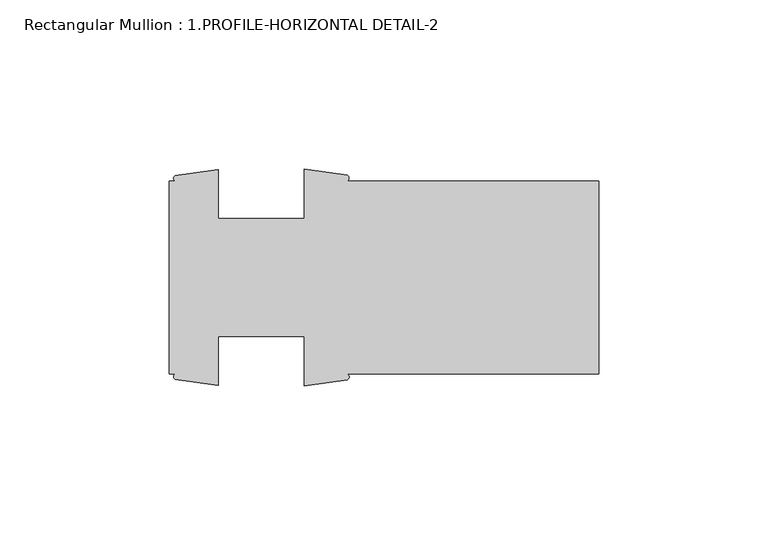
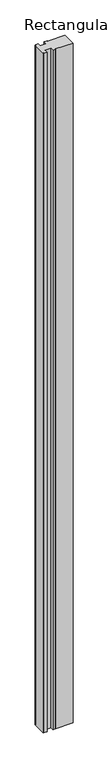
"""IFC4 building model written with IfcOpenShell, lengths in millimetres: member geometry, Rectangular Mullion : 1.PROFILE-HORIZONTAL DETAIL-2."""

from ifc_helpers import new_model, si_unit, point, frame, frame_2d, origin, place, context, project, spatial, polyline, circle_curve, trimmed, segment, composite_curve, outline, extrude, source, transform, mapped, element, save


def rectangular_mullion_1_profile_horizontal_detail_2_613303dd(model_context):
    return source(origin(), model_context, "Body", "SweptSolid", [
        extrude(outline(composite_curve([segment(trimmed(circle_curve(frame_2d((-74.7806804, -28.7695155)), 0.949112), [point((-74.3234222, -27.9378133))], [point((-74.3234222, -29.6012177))], False, "CARTESIAN"), True, "CONTINUOUS"), segment(polyline([(-74.3234222, -29.6012177), (-87.096475, -31.4573351), (-87.096475, -16.8253133), (-112.496475, -16.8253133), (-112.496475, -31.3338133), (-125.2677625, -29.5237096)]), True, "CONTINUOUS"), segment(trimmed(circle_curve(frame_2d((-124.754482, -28.7307615)), 0.9445759), [point((-125.2677625, -29.5237096))], [point((-125.2677625, -27.9378133))], False, "CARTESIAN"), True, "CONTINUOUS"), segment(polyline([(-125.2677625, -27.9378133), (-127.0, -27.9378133), (-127.0, 29.2121867), (-125.2677625, 29.2121867)]), True, "CONTINUOUS"), segment(trimmed(circle_curve(frame_2d((-124.8022815, 30.0051348)), 0.9194778), [point((-125.2677625, 29.2121867))], [point((-125.2677625, 30.7980829))], False, "CARTESIAN"), True, "CONTINUOUS"), segment(polyline([(-125.2677625, 30.7980829), (-112.496475, 32.6081867), (-112.496475, 18.0996867), (-87.096475, 18.0996867), (-87.096475, 32.7317084), (-74.3234222, 30.8755911)]), True, "CONTINUOUS"), segment(trimmed(circle_curve(frame_2d((-74.8519416, 30.0438889)), 0.9854244), [point((-74.3234222, 30.8755911))], [point((-74.3234222, 29.2121867))], False, "CARTESIAN"), True, "CONTINUOUS"), segment(polyline([(-74.3234222, 29.2121867), (0.0, 29.2121867), (0.0, -27.9378133), (-74.3234222, -27.9378133)]), True, "CONTINUOUS")], self_intersect=False)), frame((0.0, 0.0, -3048.0), z_axis=(0.0, 0.0, 1.0), x_axis=(1.0, 0.0, 0.0)), (0.0, 0.0, 1.0), 3048.0),
    ])


if __name__ == "__main__":
    model = new_model("IFC4")
    model_context = context("Model", 3, world=origin())
    ifc_project = project(units=[si_unit("LENGTHUNIT", "METRE", prefix="MILLI")], contexts=[model_context])
    site = spatial("IfcSite", under=ifc_project)
    building = spatial("IfcBuilding", under=site)
    placement = place(None, origin())
    rectangular_mullion_1_profile_horizontal_detail_2_shape = rectangular_mullion_1_profile_horizontal_detail_2_613303dd(model_context)
    element("IfcMember", 1, ObjectType="Rectangular Mullion : 1.PROFILE-HORIZONTAL DETAIL-2", at=placement, inside=building, context=model_context, shape_type="MappedRepresentation", body=[
        mapped(rectangular_mullion_1_profile_horizontal_detail_2_shape, transform((0.0, 0.0, 0.0), x_axis=(1.0, 0.0, 0.0), y_axis=(0.0, 1.0, 0.0), z_axis=(0.0, 0.0, 1.0))),
    ])
    save(model, "model.ifc")
